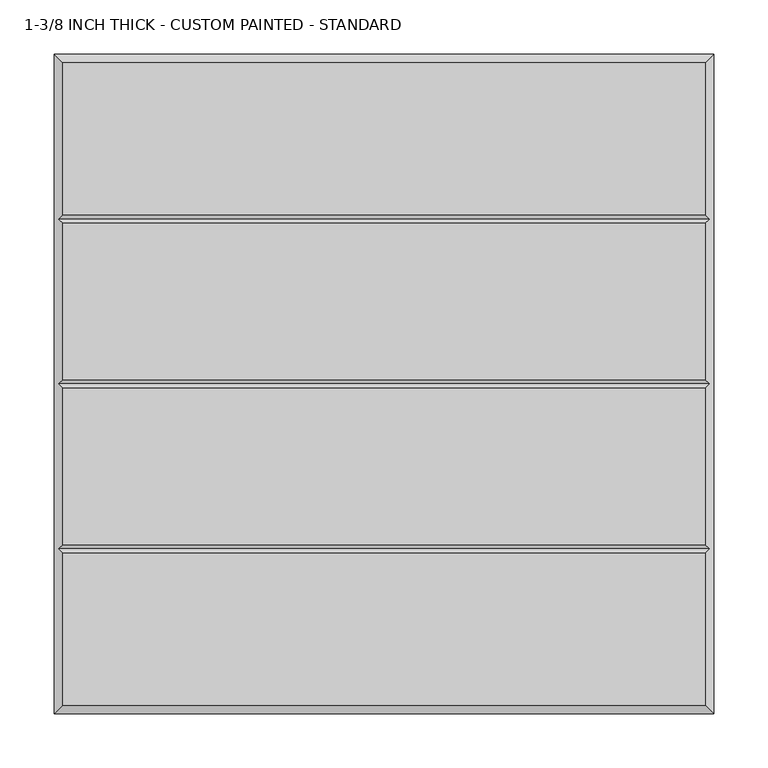
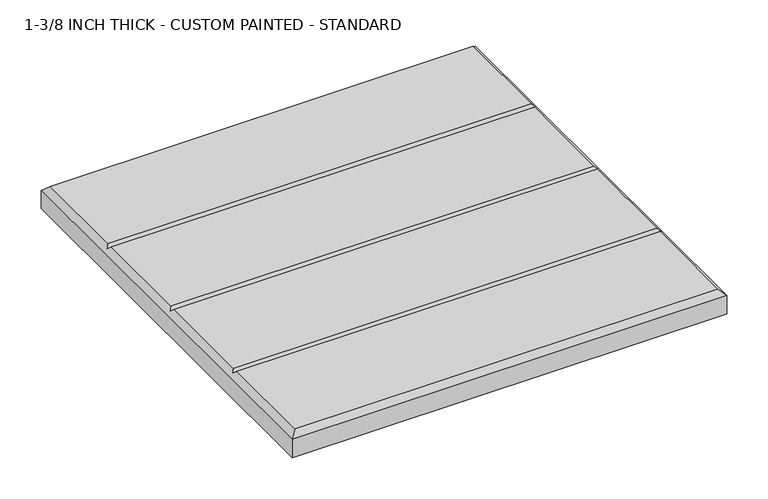
"""IFC4 building model written with IfcOpenShell, lengths in millimetres: proxy geometry, 1-3/8 INCH THICK - CUSTOM PAINTED - STANDARD."""

from ifc_helpers import new_model, si_unit, origin, place, context, project, spatial, faceted_brep, source, transform, mapped, element, save


def proxy_1_3_8_inch_thick_custom_painted_standard_293bd6c0(model_context):
    return source(origin(), model_context, "Body", "Brep", [
        faceted_brep([(296.799, 296.799, 34.925), (-296.799, 296.799, 34.925), (-296.799, 156.4005254, 34.925), (296.799, 156.4005254, 34.925), (-296.799, -296.799, 34.925), (296.799, -296.799, 34.925), (296.799, -156.4004746, 34.925), (-296.799, -156.4004746, 34.925), (296.799, 148.3995254, 34.925), (-296.799, 148.3995254, 34.925), (-296.799, 4.0005, 34.925), (296.799, 4.0005, 34.925), (296.799, -4.0005, 34.925), (-296.799, -4.0005, 34.925), (-296.799, -148.3994746, 34.925), (296.799, -148.3994746, 34.925), (-304.8, 304.8, 0.0), (304.8, 304.8, 0.0), (304.8, -304.8, 0.0), (-304.8, -304.8, 0.0), (-304.8, -304.8, 26.924), (-304.8, 304.8, 26.924), (304.8, -304.8, 26.924), (304.8, 304.8, 26.924), (-300.7995, -152.3999746, 30.9245), (-300.7995, 0.0, 30.9245), (-300.7995, 152.4000254, 30.9245), (300.7995, 152.4000254, 30.9245), (300.7995, 0.0, 30.9245), (300.7995, -152.3999746, 30.9245)], [[[0, 1, 2, 3]], [[4, 5, 6, 7]], [[8, 9, 10, 11]], [[12, 13, 14, 15]], [[16, 17, 18, 19]], [[16, 19, 20, 21]], [[19, 18, 22, 20]], [[18, 17, 23, 22]], [[17, 16, 21, 23]], [[21, 1, 0, 23]], [[1, 21, 20, 4, 7, 24, 14, 13, 25, 10, 9, 26, 2]], [[4, 20, 22, 5]], [[23, 0, 3, 27, 8, 11, 28, 12, 15, 29, 6, 5, 22]], [[27, 26, 9, 8]], [[26, 27, 3, 2]], [[28, 25, 13, 12]], [[25, 28, 11, 10]], [[29, 24, 7, 6]], [[24, 29, 15, 14]]]),
    ])


if __name__ == "__main__":
    model = new_model("IFC4")
    model_context = context("Model", 3, world=origin())
    ifc_project = project(units=[si_unit("LENGTHUNIT", "METRE", prefix="MILLI")], contexts=[model_context])
    site = spatial("IfcSite", under=ifc_project)
    building = spatial("IfcBuilding", under=site)
    placement = place(None, origin())
    proxy_1_3_8_inch_thick_custom_painted_standard_shape = proxy_1_3_8_inch_thick_custom_painted_standard_293bd6c0(model_context)
    element("IfcBuildingElementProxy", 1, Name="1-3/8 INCH THICK - CUSTOM PAINTED - STANDARD", ObjectType="1-3/8 INCH THICK - CUSTOM PAINTED - STANDARD", at=placement, inside=building, context=model_context, shape_type="MappedRepresentation", body=[
        mapped(proxy_1_3_8_inch_thick_custom_painted_standard_shape, transform((0.0, 0.0, 0.0), x_axis=(1.0, 0.0, 0.0), y_axis=(0.0, 1.0, 0.0), z_axis=(0.0, 0.0, 1.0))),
    ])
    save(model, "model.ifc")
